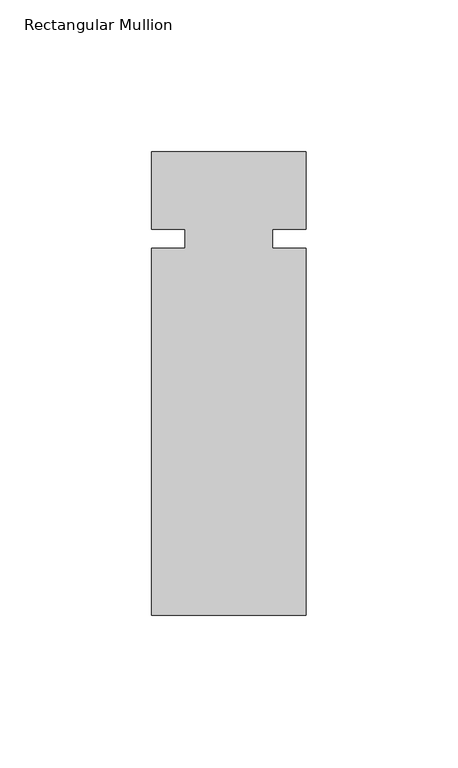
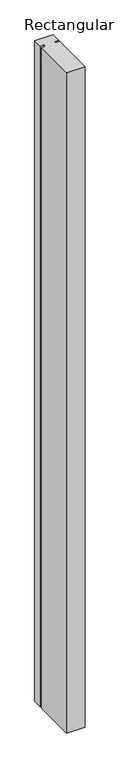
"""IFC4 building model written with IfcOpenShell, lengths in millimetres: member geometry, Rectangular Mullion."""

from ifc_helpers import new_model, si_unit, frame, origin, place, context, project, spatial, polyline, outline, extrude, source, transform, mapped, element, save


def rectangular_mullion_2aafe3e3(model_context):
    return source(origin(), model_context, "Body", "SweptSolid", [
        extrude(outline(polyline([(25.4, -25.4), (14.3, -25.4), (14.3, -31.75), (25.4, -31.75), (25.4, -152.4), (-25.4, -152.4), (-25.4, -31.75), (-14.4984375, -31.75), (-14.4984375, -25.4), (-25.4, -25.4), (-25.4, 0.0), (25.4, 0.0), (25.4, -25.4)])), frame((0.0, 0.0, -1930.400584), z_axis=(0.0, 0.0, 1.0), x_axis=(1.0, 0.0, 0.0)), (0.0, 0.0, 1.0), 1930.400584),
    ])


if __name__ == "__main__":
    model = new_model("IFC4")
    model_context = context("Model", 3, world=origin())
    ifc_project = project(units=[si_unit("LENGTHUNIT", "METRE", prefix="MILLI")], contexts=[model_context])
    site = spatial("IfcSite", under=ifc_project)
    building = spatial("IfcBuilding", under=site)
    placement = place(None, origin())
    rectangular_mullion_shape = rectangular_mullion_2aafe3e3(model_context)
    element("IfcMember", 1, ObjectType="Rectangular Mullion", at=placement, inside=building, context=model_context, shape_type="MappedRepresentation", body=[
        mapped(rectangular_mullion_shape, transform((0.0, 0.0, 0.0), x_axis=(1.0, 0.0, 0.0), y_axis=(0.0, 1.0, 0.0), z_axis=(0.0, 0.0, 1.0))),
    ])
    save(model, "model.ifc")
